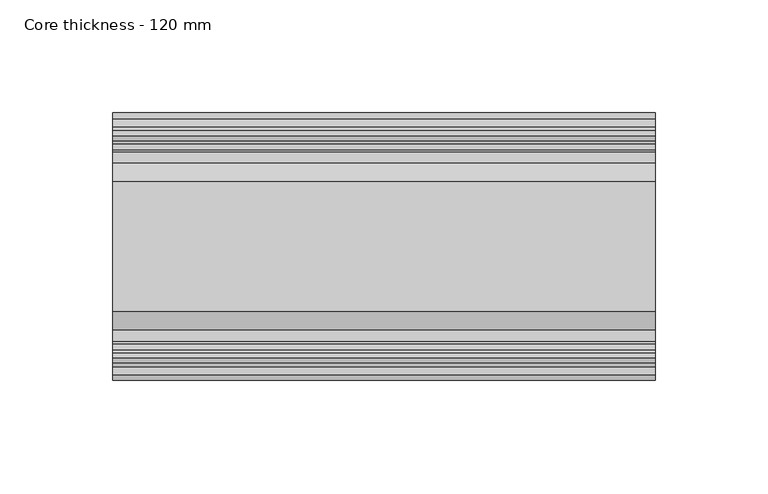
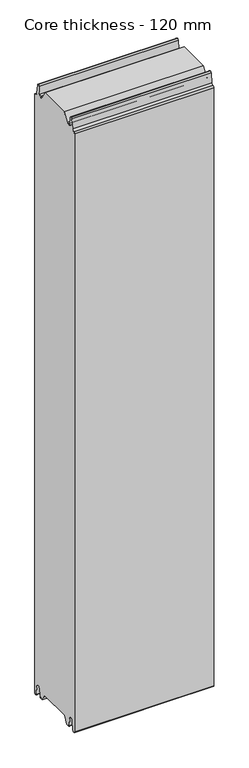
"""IFC4 building model written with IfcOpenShell, lengths in millimetres: plate geometry, Core thickness - 120 mm."""

from ifc_helpers import new_model, si_unit, frame, origin, place, context, project, spatial, polyline, circle_curve, source, transform, mapped, element, save
from ifc_brep_helpers import plane_surface, cylinder_surface, revolved_surface, advanced_brep


def core_thickness_120_mm_198740de(model_context):
    return source(origin(), model_context, "Body", "AdvancedBrep", [
        advanced_brep(
        [(119.9999998, -89.873448, 15.0417681), (119.9999998, -30.126552, 15.0417681), (119.9999998, -23.4086055, 3.0684055), (119.9999998, -17.4169005, 3.0684055), (119.9999998, -19.6169005, 5.265779), (119.9999998, -18.8169005, 5.265779), (119.9999998, -16.0235822, 5.1291629), (119.9999998, -14.6379549, 19.2608832), (119.9999998, -10.8223285, 22.6899182), (119.9999998, -7.0067021, 19.2608832), (119.9999998, -5.3893281, 2.7656275), (119.9999998, -0.8003051, 2.9900682), (119.9999998, -0.8, 1093.8000005), (119.9999998, -3.3660185, 1096.1942726), (119.9999998, -6.8790665, 1099.1779769), (119.9999998, -8.5415667, 1116.1334653), (119.9999998, -10.8223285, 1118.1999998), (119.9999998, -13.1030903, 1116.1334653), (119.9999998, -14.4357929, 1102.5415123), (119.9999998, -17.0233841, 1100.1952279), (119.9999998, -18.1003051, 1100.1952279), (119.9999998, -18.7003051, 1099.5952279), (119.9999998, -18.7003051, 1098.4952279), (119.9999998, -19.5003051, 1098.4952279), (119.9999998, -19.5003051, 1099.5952279), (119.9999998, -18.1003051, 1100.9952279), (119.9999998, -19.5003051, 1100.9952279), (119.9999998, -23.1062917, 1100.9952279), (119.9999998, -31.1628062, 1115.044651), (119.9999998, -88.7531937, 1115.044651), (119.9999998, -96.8937083, 1100.9952279), (119.9999998, -100.4996949, 1100.9952279), (119.9999998, -101.8996949, 1100.9952279), (119.9999998, -100.4996949, 1099.5952279), (119.9999998, -100.4996949, 1098.4952279), (119.9999998, -101.2996949, 1098.4952279), (119.9999998, -101.2996949, 1099.5952279), (119.9999998, -101.8996949, 1100.1952279), (119.9999998, -102.9766159, 1100.1952279), (119.9999998, -105.5642071, 1102.5415123), (119.9999998, -106.8969097, 1116.1334653), (119.9999998, -109.1776715, 1118.1999998), (119.9999998, -111.4584333, 1116.1334653), (119.9999998, -113.1209335, 1099.1779769), (119.9999998, -116.6330399, 1096.2078763), (119.9999998, -119.1996949, 1093.8000005), (119.9999998, -119.2, 2.9900682), (119.9999998, -114.6106719, 2.7656275), (119.9999998, -112.9932979, 19.2608832), (119.9999998, -109.1776715, 22.6899182), (119.9999998, -105.3620451, 19.2608832), (119.9999998, -103.9764178, 5.1291629), (119.9999998, -101.1830995, 5.265779), (119.9999998, -100.3830995, 5.265779), (119.9999998, -102.5830995, 3.065779), (119.9999998, -96.5913945, 3.0684055), (-119.9999998, -96.8937083, 1100.9952279), (-119.9999998, -88.7531937, 1115.044651), (-119.9999998, -31.1628062, 1115.044651), (-119.9999998, -23.1062917, 1100.9952279), (-119.9999998, -19.5003051, 1100.9952279), (-119.9999998, -18.1003051, 1100.9952279), (-119.9999998, -19.5003051, 1099.5952279), (-119.9999998, -19.5003051, 1098.4952279), (-119.9999998, -18.7003051, 1098.4952279), (-119.9999998, -18.7003051, 1099.5952279), (-119.9999998, -18.1003051, 1100.1952279), (-119.9999998, -17.0233841, 1100.1952279), (-119.9999998, -14.4357929, 1102.5415123), (-119.9999998, -13.1030903, 1116.1334653), (-119.9999998, -10.8223285, 1118.1999998), (-119.9999998, -8.5415667, 1116.1334653), (-119.9999998, -6.8790665, 1099.1779769), (-119.9999998, -3.3669601, 1096.2078763), (-119.9999998, -0.8003051, 1093.8000005), (-119.9999998, -0.8, 2.9900682), (-119.9999998, -5.3893281, 2.7656275), (-119.9999998, -7.0067021, 19.2608832), (-119.9999998, -10.8223285, 22.6899182), (-119.9999998, -14.6379549, 19.2608832), (-119.9999998, -16.0235822, 5.1291629), (-119.9999998, -18.8169005, 5.265779), (-119.9999998, -19.6169005, 5.265779), (-119.9999998, -17.4169005, 3.065779), (-119.9999998, -23.4086055, 3.0684055), (-119.9999998, -30.126552, 15.0417681), (-119.9999998, -89.873448, 15.0417681), (-119.9999998, -96.5913945, 3.0684055), (-119.9999998, -102.5830995, 3.0684055), (-119.9999998, -100.3830995, 5.265779), (-119.9999998, -101.1830995, 5.265779), (-119.9999998, -103.9764178, 5.1291629), (-119.9999998, -105.3620451, 19.2608832), (-119.9999998, -109.1776715, 22.6899182), (-119.9999998, -112.9932979, 19.2608832), (-119.9999998, -114.6106719, 2.7656275), (-119.9999998, -119.1996949, 2.9900682), (-119.9999998, -119.2, 1093.8000005), (-119.9999998, -116.6339815, 1096.1942726), (-119.9999998, -113.1209335, 1099.1779769), (-119.9999998, -111.4584333, 1116.1334653), (-119.9999998, -109.1776715, 1118.1999998), (-119.9999998, -106.8969097, 1116.1334653), (-119.9999998, -105.5642071, 1102.5415123), (-119.9999998, -102.9766159, 1100.1952279), (-119.9999998, -101.8996949, 1100.1952279), (-119.9999998, -101.2996949, 1099.5952279), (-119.9999998, -101.2996949, 1098.4952279), (-119.9999998, -100.4996949, 1098.4952279), (-119.9999998, -100.4996949, 1099.5952279), (-119.9999998, -101.8996949, 1100.9952279), (-119.9999998, -100.4996949, 1100.9952279)],
        [
            (0, 1),
            (1, 2),
            (2, 3),
            (3, 4, circle_curve(frame((119.9999998, -17.4169005, 5.265779), z_axis=(-1.0, 0.0, 0.0), x_axis=(0.0, 0.0, -1.0)), 2.2)),
            (4, 5),
            (5, 6, circle_curve(frame((119.9999998, -17.4169005, 5.265779), z_axis=(1.0, 0.0, 0.0), x_axis=(0.0, 0.0, -1.0)), 1.4)),
            (6, 7),
            (7, 8, circle_curve(frame((119.9999998, -10.8560907, 18.8900682), z_axis=(-1.0, 0.0, 0.0), x_axis=(0.0, 0.0, -1.0)), 3.8)),
            (8, 9, circle_curve(frame((119.9999998, -10.7885662, 18.8900682), z_axis=(-1.0, 0.0, 0.0), x_axis=(0.0, 0.0, -1.0)), 3.8)),
            (9, 10),
            (10, 11, circle_curve(frame((119.9999998, -3.1003051, 2.9900682), z_axis=(1.0, 0.0, 0.0), x_axis=(0.0, 0.0, -1.0)), 2.3)),
            (11, 12),
            (12, 13, circle_curve(frame((119.9999998, -3.2003051, 1093.8000005), z_axis=(1.0, 0.0, 0.0), x_axis=(0.0, 0.0, -1.0)), 2.4)),
            (13, 14, circle_curve(frame((119.9999998, -3.5948161, 1099.5000005), z_axis=(-1.0, 0.0, 0.0), x_axis=(0.0, 0.0, -1.0)), 3.3)),
            (14, 15),
            (15, 16, circle_curve(frame((119.9999998, -10.8206374, 1115.9100005), z_axis=(1.0, 0.0, 0.0), x_axis=(0.0, 0.0, -1.0)), 2.29)),
            (16, 17, circle_curve(frame((119.9999998, -10.8240195, 1115.9100005), z_axis=(1.0, 0.0, 0.0), x_axis=(0.0, 0.0, -1.0)), 2.29)),
            (17, 18),
            (18, 19, circle_curve(frame((119.9999998, -17.0233841, 1102.7952279), z_axis=(-1.0, 0.0, 0.0), x_axis=(0.0, 0.0, -1.0)), 2.6)),
            (19, 20),
            (20, 21, circle_curve(frame((119.9999998, -18.1003051, 1099.5952279), z_axis=(1.0, 0.0, 0.0), x_axis=(0.0, 0.0, -1.0)), 0.6)),
            (21, 22),
            (22, 23),
            (23, 24),
            (24, 25, circle_curve(frame((119.9999998, -18.1003051, 1099.5952279), z_axis=(-1.0, 0.0, 0.0), x_axis=(0.0, 0.0, -1.0)), 1.4)),
            (25, 26),
            (26, 27),
            (27, 28),
            (28, 29),
            (29, 30),
            (30, 31),
            (31, 32),
            (32, 33, circle_curve(frame((119.9999998, -101.8996949, 1099.5952279), z_axis=(-1.0, 0.0, 0.0), x_axis=(0.0, 0.0, -1.0)), 1.4)),
            (33, 34),
            (34, 35),
            (35, 36),
            (36, 37, circle_curve(frame((119.9999998, -101.8996949, 1099.5952279), z_axis=(1.0, 0.0, 0.0), x_axis=(0.0, 0.0, -1.0)), 0.6)),
            (37, 38),
            (38, 39, circle_curve(frame((119.9999998, -102.9766159, 1102.7952279), z_axis=(-1.0, 0.0, 0.0), x_axis=(0.0, 0.0, -1.0)), 2.6)),
            (39, 40),
            (40, 41, circle_curve(frame((119.9999998, -109.1759805, 1115.9100005), z_axis=(1.0, 0.0, 0.0), x_axis=(0.0, 0.0, -1.0)), 2.29)),
            (41, 42, circle_curve(frame((119.9999998, -109.1793626, 1115.9100005), z_axis=(1.0, 0.0, 0.0), x_axis=(0.0, 0.0, -1.0)), 2.29)),
            (42, 43),
            (43, 44, circle_curve(frame((119.9999998, -116.4051839, 1099.5000005), z_axis=(-1.0, 0.0, 0.0), x_axis=(0.0, 0.0, -1.0)), 3.3)),
            (44, 45, circle_curve(frame((119.9999998, -116.7996949, 1093.8000005), z_axis=(1.0, 0.0, 0.0), x_axis=(0.0, 0.0, -1.0)), 2.4)),
            (45, 46),
            (46, 47, circle_curve(frame((119.9999998, -116.8996949, 2.9900682), z_axis=(1.0, 0.0, 0.0), x_axis=(0.0, 0.0, -1.0)), 2.3)),
            (47, 48),
            (48, 49, circle_curve(frame((119.9999998, -109.2114338, 18.8900682), z_axis=(-1.0, 0.0, 0.0), x_axis=(0.0, 0.0, -1.0)), 3.8)),
            (49, 50, circle_curve(frame((119.9999998, -109.1439093, 18.8900682), z_axis=(-1.0, 0.0, 0.0), x_axis=(0.0, 0.0, -1.0)), 3.8)),
            (50, 51),
            (51, 52, circle_curve(frame((119.9999998, -102.5830995, 5.265779), z_axis=(1.0, 0.0, 0.0), x_axis=(0.0, 0.0, -1.0)), 1.4)),
            (52, 53),
            (53, 54, circle_curve(frame((119.9999998, -102.5830995, 5.265779), z_axis=(-1.0, 0.0, 0.0), x_axis=(0.0, 0.0, -1.0)), 2.2)),
            (54, 55),
            (55, 0),
            (56, 57),
            (57, 58),
            (58, 59),
            (59, 60),
            (60, 61),
            (61, 62, circle_curve(frame((-119.9999998, -18.1003051, 1099.5952279), z_axis=(1.0, 0.0, 0.0), x_axis=(0.0, 0.0, -1.0)), 1.4)),
            (62, 63),
            (63, 64),
            (64, 65),
            (65, 66, circle_curve(frame((-119.9999998, -18.1003051, 1099.5952279), z_axis=(-1.0, 0.0, 0.0), x_axis=(0.0, 0.0, -1.0)), 0.6)),
            (66, 67),
            (67, 68, circle_curve(frame((-119.9999998, -17.0233841, 1102.7952279), z_axis=(1.0, 0.0, 0.0), x_axis=(0.0, 0.0, -1.0)), 2.6)),
            (68, 69),
            (69, 70, circle_curve(frame((-119.9999998, -10.8240195, 1115.9100005), z_axis=(-1.0, 0.0, 0.0), x_axis=(0.0, 0.0, -1.0)), 2.29)),
            (70, 71, circle_curve(frame((-119.9999998, -10.8206374, 1115.9100005), z_axis=(-1.0, 0.0, 0.0), x_axis=(0.0, 0.0, -1.0)), 2.29)),
            (71, 72),
            (72, 73, circle_curve(frame((-119.9999998, -3.5948161, 1099.5000005), z_axis=(1.0, 0.0, 0.0), x_axis=(0.0, 0.0, -1.0)), 3.3)),
            (73, 74, circle_curve(frame((-119.9999998, -3.2003051, 1093.8000005), z_axis=(-1.0, 0.0, 0.0), x_axis=(0.0, 0.0, -1.0)), 2.4)),
            (74, 75),
            (75, 76, circle_curve(frame((-119.9999998, -3.1003051, 2.9900682), z_axis=(-1.0, 0.0, 0.0), x_axis=(0.0, 0.0, -1.0)), 2.3)),
            (76, 77),
            (77, 78, circle_curve(frame((-119.9999998, -10.7885662, 18.8900682), z_axis=(1.0, 0.0, 0.0), x_axis=(0.0, 0.0, -1.0)), 3.8)),
            (78, 79, circle_curve(frame((-119.9999998, -10.8560907, 18.8900682), z_axis=(1.0, 0.0, 0.0), x_axis=(0.0, 0.0, -1.0)), 3.8)),
            (79, 80),
            (80, 81, circle_curve(frame((-119.9999998, -17.4169005, 5.265779), z_axis=(-1.0, 0.0, 0.0), x_axis=(0.0, 0.0, -1.0)), 1.4)),
            (81, 82),
            (82, 83, circle_curve(frame((-119.9999998, -17.4169005, 5.265779), z_axis=(1.0, 0.0, 0.0), x_axis=(0.0, 0.0, -1.0)), 2.2)),
            (83, 84),
            (84, 85),
            (85, 86),
            (86, 87),
            (87, 88),
            (88, 89, circle_curve(frame((-119.9999998, -102.5830995, 5.265779), z_axis=(1.0, 0.0, 0.0), x_axis=(0.0, 0.0, -1.0)), 2.2)),
            (89, 90),
            (90, 91, circle_curve(frame((-119.9999998, -102.5830995, 5.265779), z_axis=(-1.0, 0.0, 0.0), x_axis=(0.0, 0.0, -1.0)), 1.4)),
            (91, 92),
            (92, 93, circle_curve(frame((-119.9999998, -109.1439093, 18.8900682), z_axis=(1.0, 0.0, 0.0), x_axis=(0.0, 0.0, -1.0)), 3.8)),
            (93, 94, circle_curve(frame((-119.9999998, -109.2114338, 18.8900682), z_axis=(1.0, 0.0, 0.0), x_axis=(0.0, 0.0, -1.0)), 3.8)),
            (94, 95),
            (95, 96, circle_curve(frame((-119.9999998, -116.8996949, 2.9900682), z_axis=(-1.0, 0.0, 0.0), x_axis=(0.0, 0.0, -1.0)), 2.3)),
            (96, 97),
            (97, 98, circle_curve(frame((-119.9999998, -116.7996949, 1093.8000005), z_axis=(-1.0, 0.0, 0.0), x_axis=(0.0, 0.0, -1.0)), 2.4)),
            (98, 99, circle_curve(frame((-119.9999998, -116.4051839, 1099.5000005), z_axis=(1.0, 0.0, 0.0), x_axis=(0.0, 0.0, -1.0)), 3.3)),
            (99, 100),
            (100, 101, circle_curve(frame((-119.9999998, -109.1793626, 1115.9100005), z_axis=(-1.0, 0.0, 0.0), x_axis=(0.0, 0.0, -1.0)), 2.29)),
            (101, 102, circle_curve(frame((-119.9999998, -109.1759805, 1115.9100005), z_axis=(-1.0, 0.0, 0.0), x_axis=(0.0, 0.0, -1.0)), 2.29)),
            (102, 103),
            (103, 104, circle_curve(frame((-119.9999998, -102.9766159, 1102.7952279), z_axis=(1.0, 0.0, 0.0), x_axis=(0.0, 0.0, -1.0)), 2.6)),
            (104, 105),
            (105, 106, circle_curve(frame((-119.9999998, -101.8996949, 1099.5952279), z_axis=(-1.0, 0.0, 0.0), x_axis=(0.0, 0.0, -1.0)), 0.6)),
            (106, 107),
            (107, 108),
            (108, 109),
            (109, 110, circle_curve(frame((-119.9999998, -101.8996949, 1099.5952279), z_axis=(1.0, 0.0, 0.0), x_axis=(0.0, 0.0, -1.0)), 1.4)),
            (110, 111),
            (111, 56),
            (30, 56),
            (110, 32),
            (29, 57),
            (28, 58),
            (27, 59),
            (25, 61),
            (1, 85),
            (84, 2),
            (0, 86),
            (55, 87),
            (83, 3),
            (54, 88),
            (109, 33),
            (108, 34),
            (107, 35),
            (106, 36),
            (105, 37),
            (104, 38),
            (103, 39),
            (102, 40),
            (101, 41),
            (100, 42),
            (99, 43),
            (98, 44),
            (97, 45),
            (96, 46),
            (95, 47),
            (94, 48),
            (93, 49),
            (92, 50),
            (91, 51),
            (90, 52),
            (89, 53),
            (74, 12),
            (11, 75),
            (73, 13),
            (72, 14),
            (71, 15),
            (70, 16),
            (69, 17),
            (68, 18),
            (67, 19),
            (66, 20),
            (65, 21),
            (64, 22),
            (63, 23),
            (62, 24),
            (82, 4),
            (81, 5),
            (80, 6),
            (79, 7),
            (78, 8),
            (77, 9),
            (76, 10),
        ],
        [
            plane_surface(frame((119.9999998, 0.0, 0.0), z_axis=(1.0, 0.0, 0.0), x_axis=(0.0, -1.0, 0.0))),
            plane_surface(frame((-119.9999998, 0.0, 0.0), z_axis=(-1.0, 0.0, 0.0), x_axis=(0.0, -1.0, 0.0))),
            plane_surface(frame((119.9999998, -96.8937083, 1100.9952279), z_axis=(0.0, 0.0, 1.0), x_axis=(-1.0, 0.0, 0.0))),
            plane_surface(frame((119.9999998, -88.7531937, 1115.044651), z_axis=(0.0, -0.8652489672717164, 0.5013424225369607), x_axis=(-1.0, 0.0, 0.0))),
            plane_surface(frame((119.9999998, -31.1628062, 1115.044651), z_axis=(0.0, 0.0, 1.0), x_axis=(-1.0, 0.0, 0.0))),
            plane_surface(frame((119.9999998, -23.1062917, 1100.9952279), z_axis=(0.0, 0.8674901459133322, 0.4974543664933155), x_axis=(-1.0, 0.0, 0.0))),
            plane_surface(frame((119.9999998, -17.0229218, 1100.9952279), z_axis=(0.0, 0.0, 1.0), x_axis=(-1.0, 0.0, 0.0))),
            plane_surface(frame((119.9999998, -30.126552, 15.0417681), z_axis=(0.0, -0.8721062992196836, -0.4893164649399687), x_axis=(-1.0, 0.0, 0.0))),
            plane_surface(frame((119.9999998, -89.873448, 15.0417681), z_axis=(0.0, 0.0, -1.0), x_axis=(-1.0, 0.0, 0.0))),
            plane_surface(frame((119.9999998, -96.8190247, 2.6627014), z_axis=(0.0, 0.8721062992196852, -0.48931646493996606), x_axis=(-1.0, 0.0, 0.0))),
            plane_surface(frame((-119.9999998, -102.5830995, 3.0684055), z_axis=(0.0, 0.0, -1.0), x_axis=(1.0, 0.0, 0.0))),
            revolved_surface(polyline([(119.99999980000001, -101.8996949, 1098.1952279), (-119.99999980000001, -101.8996949, 1098.1952279)]), (249.9999998, -101.8996949, 1099.5952279), (1.0, 0.0, 0.0)),
            plane_surface(frame((249.9999998, -100.4996949, 1098.4952279), z_axis=(0.0, -1.0, 0.0), x_axis=(-1.0, 0.0, 0.0))),
            plane_surface(frame((249.9999998, -101.2996949, 1098.4952279), z_axis=(0.0, 0.0, 1.0), x_axis=(-1.0, 0.0, 0.0))),
            plane_surface(frame((249.9999998, -101.2996949, 1099.5952279), z_axis=(0.0, 1.0, 0.0), x_axis=(-1.0, 0.0, 0.0))),
            cylinder_surface(frame((249.9999998, -101.8996949, 1099.5952279), z_axis=(-1.0, 0.0, 0.0), x_axis=(0.0, 0.0, -1.0)), 0.6),
            plane_surface(frame((249.9999998, -102.9766159, 1100.1952279), z_axis=(0.0, 0.0, 1.0), x_axis=(-1.0, 0.0, 0.0))),
            revolved_surface(polyline([(119.99999980000001, -102.9766159, 1100.1952279000002), (-119.99999980000001, -102.9766159, 1100.1952279000002)]), (249.9999998, -102.9766159, 1102.7952279), (1.0, 0.0, 0.0)),
            plane_surface(frame((249.9999998, -106.8969097, 1116.1334653), z_axis=(0.0, 0.9952273999818314, 0.09758289975914705), x_axis=(-1.0, 0.0, 0.0))),
            cylinder_surface(frame((249.9999998, -109.1759805, 1115.9100005), z_axis=(-1.0, 0.0, 0.0), x_axis=(0.0, 0.0, -1.0)), 2.29),
            cylinder_surface(frame((249.9999998, -109.1793626, 1115.9100005), z_axis=(-1.0, 0.0, 0.0), x_axis=(0.0, 0.0, -1.0)), 2.29),
            plane_surface(frame((249.9999998, -113.1209335, 1099.1779769), z_axis=(0.0, -0.9952273999818317, 0.09758289975914436), x_axis=(-1.0, 0.0, 0.0))),
            revolved_surface(polyline([(119.99999980000001, -116.4051839, 1096.2000005), (-119.99999980000001, -116.4051839, 1096.2000005)]), (249.9999998, -116.4051839, 1099.5000005), (1.0, 0.0, 0.0)),
            cylinder_surface(frame((249.9999998, -116.7996949, 1093.8000005), z_axis=(-1.0, 0.0, 0.0), x_axis=(0.0, 0.0, -1.0)), 2.4),
            plane_surface(frame((249.9999998, -119.2, 2.9900682), z_axis=(0.0, -1.0, 0.0), x_axis=(-1.0, 0.0, 0.0))),
            cylinder_surface(frame((249.9999998, -116.8996949, 2.9900682), z_axis=(-1.0, 0.0, 0.0), x_axis=(0.0, 0.0, -1.0)), 2.3),
            plane_surface(frame((249.9999998, -112.9932979, 19.2608832), z_axis=(0.0, 0.9952273999818314, -0.09758289975914787), x_axis=(-1.0, 0.0, 0.0))),
            revolved_surface(polyline([(119.99999980000001, -109.2114338, 15.090068200000001), (-119.99999980000001, -109.2114338, 15.090068200000001)]), (249.9999998, -109.2114338, 18.8900682), (1.0, 0.0, 0.0)),
            revolved_surface(polyline([(119.99999980000001, -109.1439093, 15.090068200000001), (-119.99999980000001, -109.1439093, 15.090068200000001)]), (249.9999998, -109.1439093, 18.8900682), (1.0, 0.0, 0.0)),
            plane_surface(frame((249.9999998, -103.9764178, 5.1291629), z_axis=(0.0, -0.9952273999818297, -0.09758289975916531), x_axis=(-1.0, 0.0, 0.0))),
            cylinder_surface(frame((249.9999998, -102.5830995, 5.265779), z_axis=(-1.0, 0.0, 0.0), x_axis=(0.0, 0.0, -1.0)), 1.4),
            plane_surface(frame((249.9999998, -100.3830995, 5.265779), z_axis=(0.0, 0.0, -1.0), x_axis=(-1.0, 0.0, 0.0))),
            revolved_surface(polyline([(119.99999980000001, -102.5830995, 3.065779), (-119.99999980000001, -102.5830995, 3.065779)]), (249.9999998, -102.5830995, 5.265779), (1.0, 0.0, 0.0)),
            plane_surface(frame((249.9999998, -0.8, 1093.8000005), z_axis=(0.0, 1.0, 0.0), x_axis=(-1.0, 0.0, 0.0))),
            cylinder_surface(frame((249.9999998, -3.2003051, 1093.8000005), z_axis=(-1.0, 0.0, 0.0), x_axis=(0.0, 0.0, -1.0)), 2.4),
            revolved_surface(polyline([(119.99999980000001, -3.5948161, 1096.2000005), (-119.99999980000001, -3.5948161, 1096.2000005)]), (249.9999998, -3.5948161, 1099.5000005), (1.0, 0.0, 0.0)),
            plane_surface(frame((249.9999998, -8.5415667, 1116.1334653), z_axis=(0.0, 0.9952273999818317, 0.09758289975914436), x_axis=(-1.0, 0.0, 0.0))),
            cylinder_surface(frame((249.9999998, -10.8206374, 1115.9100005), z_axis=(-1.0, 0.0, 0.0), x_axis=(0.0, 0.0, -1.0)), 2.29),
            cylinder_surface(frame((249.9999998, -10.8240195, 1115.9100005), z_axis=(-1.0, 0.0, 0.0), x_axis=(0.0, 0.0, -1.0)), 2.29),
            plane_surface(frame((249.9999998, -14.4357929, 1102.5415123), z_axis=(0.0, -0.9952273999818314, 0.09758289975914705), x_axis=(-1.0, 0.0, 0.0))),
            revolved_surface(polyline([(119.99999980000001, -17.0233841, 1100.1952279000002), (-119.99999980000001, -17.0233841, 1100.1952279000002)]), (249.9999998, -17.0233841, 1102.7952279), (1.0, 0.0, 0.0)),
            plane_surface(frame((249.9999998, -18.1003051, 1100.1952279), z_axis=(0.0, 0.0, 1.0), x_axis=(-1.0, 0.0, 0.0))),
            cylinder_surface(frame((249.9999998, -18.1003051, 1099.5952279), z_axis=(-1.0, 0.0, 0.0), x_axis=(0.0, 0.0, -1.0)), 0.6),
            plane_surface(frame((249.9999998, -18.7003051, 1098.4952279), z_axis=(0.0, -1.0, 0.0), x_axis=(-1.0, 0.0, 0.0))),
            plane_surface(frame((249.9999998, -19.5003051, 1098.4952279), z_axis=(0.0, 0.0, 1.0), x_axis=(-1.0, 0.0, 0.0))),
            plane_surface(frame((249.9999998, -19.5003051, 1099.5952279), z_axis=(0.0, 1.0, 0.0), x_axis=(-1.0, 0.0, 0.0))),
            revolved_surface(polyline([(119.99999980000001, -18.1003051, 1098.1952279), (-119.99999980000001, -18.1003051, 1098.1952279)]), (249.9999998, -18.1003051, 1099.5952279), (1.0, 0.0, 0.0)),
            revolved_surface(polyline([(119.99999980000001, -17.4169005, 3.065779), (-119.99999980000001, -17.4169005, 3.065779)]), (249.9999998, -17.4169005, 5.265779), (1.0, 0.0, 0.0)),
            plane_surface(frame((249.9999998, -18.8169005, 5.265779), z_axis=(0.0, 0.0, -1.0), x_axis=(-1.0, 0.0, 0.0))),
            cylinder_surface(frame((249.9999998, -17.4169005, 5.265779), z_axis=(-1.0, 0.0, 0.0), x_axis=(0.0, 0.0, -1.0)), 1.4),
            plane_surface(frame((249.9999998, -14.6379549, 19.2608832), z_axis=(0.0, 0.9952273999818297, -0.09758289975916531), x_axis=(-1.0, 0.0, 0.0))),
            revolved_surface(polyline([(119.99999980000001, -10.8560907, 15.090068200000001), (-119.99999980000001, -10.8560907, 15.090068200000001)]), (249.9999998, -10.8560907, 18.8900682), (1.0, 0.0, 0.0)),
            revolved_surface(polyline([(119.99999980000001, -10.7885662, 15.090068200000001), (-119.99999980000001, -10.7885662, 15.090068200000001)]), (249.9999998, -10.7885662, 18.8900682), (1.0, 0.0, 0.0)),
            plane_surface(frame((249.9999998, -5.3893281, 2.7656275), z_axis=(0.0, -0.9952273999818314, -0.09758289975914787), x_axis=(-1.0, 0.0, 0.0))),
            cylinder_surface(frame((249.9999998, -3.1003051, 2.9900682), z_axis=(-1.0, 0.0, 0.0), x_axis=(0.0, 0.0, -1.0)), 2.3),
        ],
        [
            (0, [[1, 2, 3, 4, 5, 6, 7, 8, 9, 10, 11, 12, 13, 14, 15, 16, 17, 18, 19, 20, 21, 22, 23, 24, 25, 26, 27, 28, 29, 30, 31, 32, 33, 34, 35, 36, 37, 38, 39, 40, 41, 42, 43, 44, 45, 46, 47, 48, 49, 50, 51, 52, 53, 54, 55, 56]]),
            (1, [[57, 58, 59, 60, 61, 62, 63, 64, 65, 66, 67, 68, 69, 70, 71, 72, 73, 74, 75, 76, 77, 78, 79, 80, 81, 82, 83, 84, 85, 86, 87, 88, 89, 90, 91, 92, 93, 94, 95, 96, 97, 98, 99, 100, 101, 102, 103, 104, 105, 106, 107, 108, 109, 110, 111, 112]]),
            (2, [[113, -112, -111, 114, -32, -31]]),
            (3, [[-30, 115, -57, -113]]),
            (4, [[-29, 116, -58, -115]]),
            (5, [[-28, 117, -59, -116]]),
            (6, [[-117, -27, -26, 118, -61, -60]]),
            (7, [[119, -85, 120, -2]]),
            (8, [[-1, 121, -86, -119]]),
            (9, [[-121, -56, 122, -87]]),
            (10, [[-3, -120, -84, 123]]),
            (10, [[-55, 124, -88, -122]]),
            (11, [[125, -33, -114, -110]]),
            (12, [[-125, -109, 126, -34]]),
            (13, [[-126, -108, 127, -35]]),
            (14, [[-127, -107, 128, -36]]),
            (15, [[-128, -106, 129, -37]]),
            (16, [[-129, -105, 130, -38]]),
            (17, [[-130, -104, 131, -39]]),
            (18, [[-131, -103, 132, -40]]),
            (19, [[-132, -102, 133, -41]]),
            (20, [[-133, -101, 134, -42]]),
            (21, [[-134, -100, 135, -43]]),
            (22, [[-135, -99, 136, -44]]),
            (23, [[-136, -98, 137, -45]]),
            (24, [[-137, -97, 138, -46]]),
            (25, [[-138, -96, 139, -47]]),
            (26, [[-139, -95, 140, -48]]),
            (27, [[-140, -94, 141, -49]]),
            (28, [[-141, -93, 142, -50]]),
            (29, [[-142, -92, 143, -51]]),
            (30, [[-143, -91, 144, -52]]),
            (31, [[-144, -90, 145, -53]]),
            (32, [[-145, -89, -124, -54]]),
            (33, [[146, -12, 147, -75]]),
            (34, [[-146, -74, 148, -13]]),
            (35, [[-148, -73, 149, -14]]),
            (36, [[-149, -72, 150, -15]]),
            (37, [[-150, -71, 151, -16]]),
            (38, [[-151, -70, 152, -17]]),
            (39, [[-152, -69, 153, -18]]),
            (40, [[-153, -68, 154, -19]]),
            (41, [[-154, -67, 155, -20]]),
            (42, [[-155, -66, 156, -21]]),
            (43, [[-156, -65, 157, -22]]),
            (44, [[-157, -64, 158, -23]]),
            (45, [[-158, -63, 159, -24]]),
            (46, [[-159, -62, -118, -25]]),
            (47, [[160, -4, -123, -83]]),
            (48, [[-160, -82, 161, -5]]),
            (49, [[-161, -81, 162, -6]]),
            (50, [[-162, -80, 163, -7]]),
            (51, [[-163, -79, 164, -8]]),
            (52, [[-164, -78, 165, -9]]),
            (53, [[-165, -77, 166, -10]]),
            (54, [[-166, -76, -147, -11]]),
        ],
    ),
    ])


if __name__ == "__main__":
    model = new_model("IFC4")
    model_context = context("Model", 3, world=origin())
    ifc_project = project(units=[si_unit("LENGTHUNIT", "METRE", prefix="MILLI")], contexts=[model_context])
    site = spatial("IfcSite", under=ifc_project)
    building = spatial("IfcBuilding", under=site)
    placement = place(None, origin())
    core_thickness_120_mm_shape = core_thickness_120_mm_198740de(model_context)
    element("IfcPlate", 1, ObjectType="Core thickness - 120 mm", at=placement, inside=building, context=model_context, shape_type="MappedRepresentation", body=[
        mapped(core_thickness_120_mm_shape, transform((0.0, 0.0, 0.0), x_axis=(1.0, 0.0, 0.0), y_axis=(0.0, 1.0, 0.0), z_axis=(0.0, 0.0, 1.0))),
    ])
    save(model, "model.ifc")
